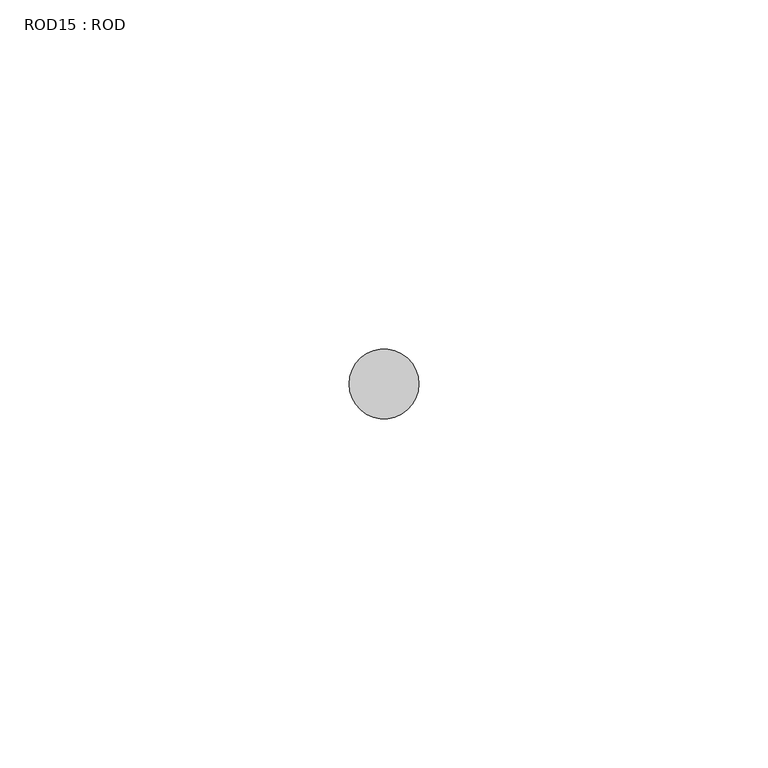
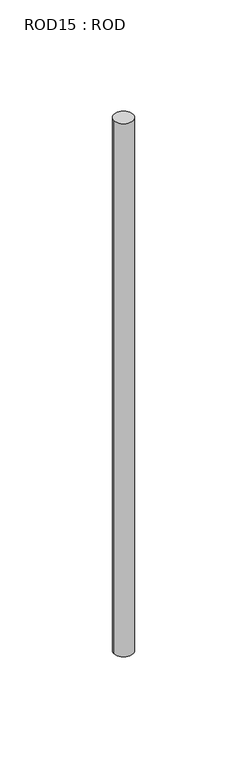
"""IFC4 building model written with IfcOpenShell, lengths in millimetres: proxy geometry, ROD15 : ROD."""

from ifc_helpers import new_model, si_unit, point, frame, frame_2d, origin, place, context, project, spatial, circle_curve, trimmed, segment, composite_curve, outline, extrude, source, transform, mapped, element, save


def rod15_rod_f1f8d878(model_context):
    return source(origin(), model_context, "Body", "SweptSolid", [
        extrude(outline(composite_curve([segment(trimmed(circle_curve(frame_2d((-7367.2215616, -1114.6300853)), 5.0), [point((-7372.2215616, -1114.6300853))], [point((-7362.2215616, -1114.6300853))], False, "CARTESIAN"), True, "CONTINUOUS"), segment(trimmed(circle_curve(frame_2d((-7367.2215616, -1114.6300853)), 5.0), [point((-7362.2215616, -1114.6300853))], [point((-7372.2215616, -1114.6300853))], False, "CARTESIAN"), True, "CONTINUOUS")], self_intersect=False)), frame((0.0, 0.0, -208.6608845), z_axis=(0.0, 0.0, 1.0), x_axis=(1.0, 0.0, 0.0)), (0.0, 0.0, 1.0), 298.9028972),
    ])


if __name__ == "__main__":
    model = new_model("IFC4")
    model_context = context("Model", 3, world=origin())
    ifc_project = project(units=[si_unit("LENGTHUNIT", "METRE", prefix="MILLI")], contexts=[model_context])
    site = spatial("IfcSite", under=ifc_project)
    building = spatial("IfcBuilding", under=site)
    placement = place(None, origin())
    rod15_rod_shape = rod15_rod_f1f8d878(model_context)
    element("IfcBuildingElementProxy", 1, Name="ROD15 : ROD", ObjectType="ROD15 : ROD", at=placement, inside=building, context=model_context, shape_type="MappedRepresentation", body=[
        mapped(rod15_rod_shape, transform((0.0, 0.0, 0.0), x_axis=(1.0, 0.0, 0.0), y_axis=(0.0, 1.0, 0.0), z_axis=(0.0, 0.0, 1.0))),
    ])
    save(model, "model.ifc")
